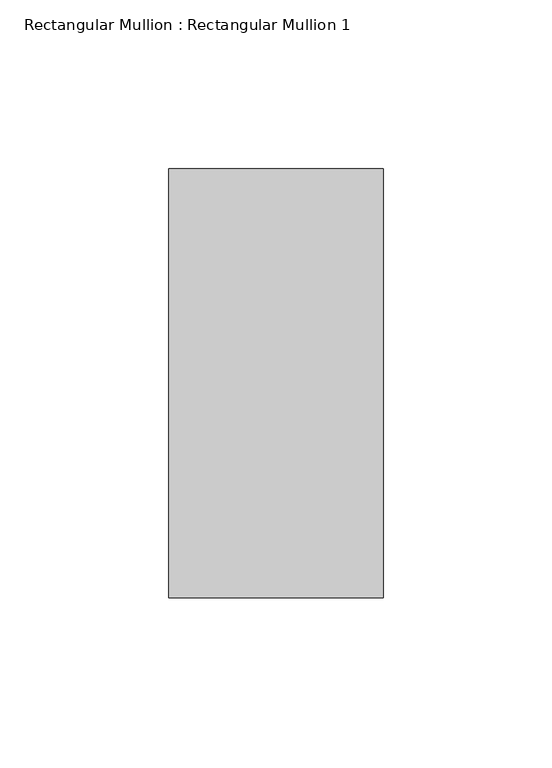
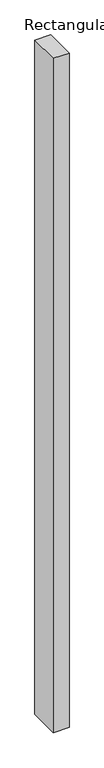
"""IFC4 building model written with IfcOpenShell, lengths in millimetres: member geometry, Rectangular Mullion : Rectangular Mullion 1."""

from ifc_helpers import new_model, si_unit, frame, origin, place, context, project, spatial, polyline, outline, extrude, source, transform, mapped, element, save


def rectangular_mullion_rectangular_mullion_1_f0fbc1bd(model_context):
    return source(origin(), model_context, "Body", "SweptSolid", [
        extrude(outline(polyline([(31.75, 63.5), (31.75, -63.5), (-31.75, -63.5), (-31.75, 63.5), (31.75, 63.5)])), frame((0.0, 0.0, -2857.5635785), z_axis=(0.0, 0.0, 1.0), x_axis=(1.0, 0.0, 0.0)), (0.0, 0.0, 1.0), 2857.5635785),
    ])


if __name__ == "__main__":
    model = new_model("IFC4")
    model_context = context("Model", 3, world=origin())
    ifc_project = project(units=[si_unit("LENGTHUNIT", "METRE", prefix="MILLI")], contexts=[model_context])
    site = spatial("IfcSite", under=ifc_project)
    building = spatial("IfcBuilding", under=site)
    placement = place(None, origin())
    rectangular_mullion_rectangular_mullion_1_shape = rectangular_mullion_rectangular_mullion_1_f0fbc1bd(model_context)
    element("IfcMember", 1, ObjectType="Rectangular Mullion : Rectangular Mullion 1", at=placement, inside=building, context=model_context, shape_type="MappedRepresentation", body=[
        mapped(rectangular_mullion_rectangular_mullion_1_shape, transform((0.0, 0.0, 0.0), x_axis=(1.0, 0.0, 0.0), y_axis=(0.0, 1.0, 0.0), z_axis=(0.0, 0.0, 1.0))),
    ])
    save(model, "model.ifc")
